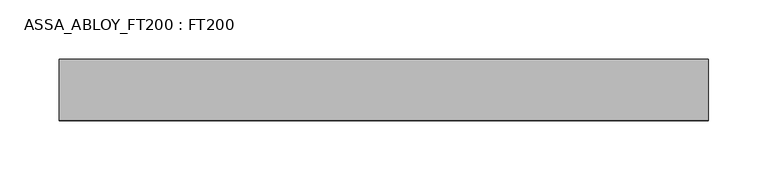
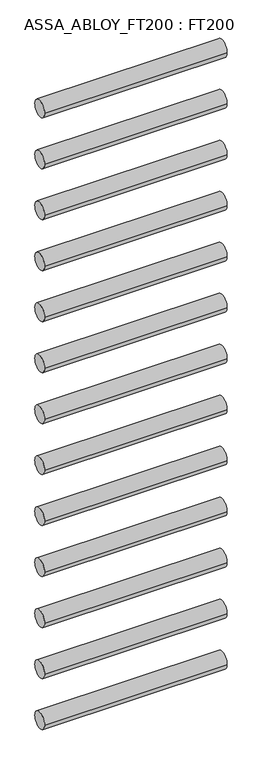
"""IFC4 building model written with IfcOpenShell, lengths in millimetres: proxy geometry, ASSA_ABLOY_FT200 : FT200."""

from ifc_helpers import new_model, si_unit, point, frame, frame_2d, origin, place, context, project, spatial, circle_curve, trimmed, segment, composite_curve, outline, extrude, source, transform, mapped, element, save


def assa_abloy_ft200_ft200_70e67938(model_context):
    return source(origin(), model_context, "Body", "SweptSolid", [
        extrude(outline(composite_curve([segment(trimmed(circle_curve(frame_2d((0.0, 143.0)), 25.5), [point((-25.5, 143.0))], [point((25.5, 143.0))], False, "CARTESIAN"), True, "CONTINUOUS"), segment(trimmed(circle_curve(frame_2d((0.0, 143.0)), 25.5), [point((25.5, 143.0))], [point((-25.5, 143.0))], False, "CARTESIAN"), True, "CONTINUOUS")], self_intersect=False)), frame((184.2, 0.0, 0.0), z_axis=(1.0, 0.0, 0.0), x_axis=(0.0, 1.0, 0.0)), (0.0, 0.0, 1.0), 545.8),
        extrude(outline(composite_curve([segment(trimmed(circle_curve(frame_2d((0.0, 304.0)), 25.5), [point((-25.5, 304.0))], [point((25.5, 304.0))], False, "CARTESIAN"), True, "CONTINUOUS"), segment(trimmed(circle_curve(frame_2d((0.0, 304.0)), 25.5), [point((25.5, 304.0))], [point((-25.5, 304.0))], False, "CARTESIAN"), True, "CONTINUOUS")], self_intersect=False)), frame((184.2, 0.0, 0.0), z_axis=(1.0, 0.0, 0.0), x_axis=(0.0, 1.0, 0.0)), (0.0, 0.0, 1.0), 545.8),
        extrude(outline(composite_curve([segment(trimmed(circle_curve(frame_2d((0.0, 465.0)), 25.5), [point((-25.5, 465.0))], [point((25.5, 465.0))], False, "CARTESIAN"), True, "CONTINUOUS"), segment(trimmed(circle_curve(frame_2d((0.0, 465.0)), 25.5), [point((25.5, 465.0))], [point((-25.5, 465.0))], False, "CARTESIAN"), True, "CONTINUOUS")], self_intersect=False)), frame((184.2, 0.0, 0.0), z_axis=(1.0, 0.0, 0.0), x_axis=(0.0, 1.0, 0.0)), (0.0, 0.0, 1.0), 545.8),
        extrude(outline(composite_curve([segment(trimmed(circle_curve(frame_2d((0.0, 626.0)), 25.5), [point((-25.5, 626.0))], [point((25.5, 626.0))], False, "CARTESIAN"), True, "CONTINUOUS"), segment(trimmed(circle_curve(frame_2d((0.0, 626.0)), 25.5), [point((25.5, 626.0))], [point((-25.5, 626.0))], False, "CARTESIAN"), True, "CONTINUOUS")], self_intersect=False)), frame((184.2, 0.0, 0.0), z_axis=(1.0, 0.0, 0.0), x_axis=(0.0, 1.0, 0.0)), (0.0, 0.0, 1.0), 545.8),
        extrude(outline(composite_curve([segment(trimmed(circle_curve(frame_2d((0.0, 787.0)), 25.5), [point((-25.5, 787.0))], [point((25.5, 787.0))], False, "CARTESIAN"), True, "CONTINUOUS"), segment(trimmed(circle_curve(frame_2d((0.0, 787.0)), 25.5), [point((25.5, 787.0))], [point((-25.5, 787.0))], False, "CARTESIAN"), True, "CONTINUOUS")], self_intersect=False)), frame((184.2, 0.0, 0.0), z_axis=(1.0, 0.0, 0.0), x_axis=(0.0, 1.0, 0.0)), (0.0, 0.0, 1.0), 545.8),
        extrude(outline(composite_curve([segment(trimmed(circle_curve(frame_2d((0.0, 948.0)), 25.5), [point((-25.5, 948.0))], [point((25.5, 948.0))], False, "CARTESIAN"), True, "CONTINUOUS"), segment(trimmed(circle_curve(frame_2d((0.0, 948.0)), 25.5), [point((25.5, 948.0))], [point((-25.5, 948.0))], False, "CARTESIAN"), True, "CONTINUOUS")], self_intersect=False)), frame((184.2, 0.0, 0.0), z_axis=(1.0, 0.0, 0.0), x_axis=(0.0, 1.0, 0.0)), (0.0, 0.0, 1.0), 545.8),
        extrude(outline(composite_curve([segment(trimmed(circle_curve(frame_2d((0.0, 1109.0)), 25.5), [point((-25.5, 1109.0))], [point((25.5, 1109.0))], False, "CARTESIAN"), True, "CONTINUOUS"), segment(trimmed(circle_curve(frame_2d((0.0, 1109.0)), 25.5), [point((25.5, 1109.0))], [point((-25.5, 1109.0))], False, "CARTESIAN"), True, "CONTINUOUS")], self_intersect=False)), frame((184.2, 0.0, 0.0), z_axis=(1.0, 0.0, 0.0), x_axis=(0.0, 1.0, 0.0)), (0.0, 0.0, 1.0), 545.8),
        extrude(outline(composite_curve([segment(trimmed(circle_curve(frame_2d((0.0, 1270.0)), 25.5), [point((-25.5, 1270.0))], [point((25.5, 1270.0))], False, "CARTESIAN"), True, "CONTINUOUS"), segment(trimmed(circle_curve(frame_2d((0.0, 1270.0)), 25.5), [point((25.5, 1270.0))], [point((-25.5, 1270.0))], False, "CARTESIAN"), True, "CONTINUOUS")], self_intersect=False)), frame((184.2, 0.0, 0.0), z_axis=(1.0, 0.0, 0.0), x_axis=(0.0, 1.0, 0.0)), (0.0, 0.0, 1.0), 545.8),
        extrude(outline(composite_curve([segment(trimmed(circle_curve(frame_2d((0.0, 1431.0)), 25.5), [point((-25.5, 1431.0))], [point((25.5, 1431.0))], False, "CARTESIAN"), True, "CONTINUOUS"), segment(trimmed(circle_curve(frame_2d((0.0, 1431.0)), 25.5), [point((25.5, 1431.0))], [point((-25.5, 1431.0))], False, "CARTESIAN"), True, "CONTINUOUS")], self_intersect=False)), frame((184.2, 0.0, 0.0), z_axis=(1.0, 0.0, 0.0), x_axis=(0.0, 1.0, 0.0)), (0.0, 0.0, 1.0), 545.8),
        extrude(outline(composite_curve([segment(trimmed(circle_curve(frame_2d((0.0, 1592.0)), 25.5), [point((-25.5, 1592.0))], [point((25.5, 1592.0))], False, "CARTESIAN"), True, "CONTINUOUS"), segment(trimmed(circle_curve(frame_2d((0.0, 1592.0)), 25.5), [point((25.5, 1592.0))], [point((-25.5, 1592.0))], False, "CARTESIAN"), True, "CONTINUOUS")], self_intersect=False)), frame((184.2, 0.0, 0.0), z_axis=(1.0, 0.0, 0.0), x_axis=(0.0, 1.0, 0.0)), (0.0, 0.0, 1.0), 545.8),
        extrude(outline(composite_curve([segment(trimmed(circle_curve(frame_2d((0.0, 1753.0)), 25.5), [point((-25.5, 1753.0))], [point((25.5, 1753.0))], False, "CARTESIAN"), True, "CONTINUOUS"), segment(trimmed(circle_curve(frame_2d((0.0, 1753.0)), 25.5), [point((25.5, 1753.0))], [point((-25.5, 1753.0))], False, "CARTESIAN"), True, "CONTINUOUS")], self_intersect=False)), frame((184.2, 0.0, 0.0), z_axis=(1.0, 0.0, 0.0), x_axis=(0.0, 1.0, 0.0)), (0.0, 0.0, 1.0), 545.8),
        extrude(outline(composite_curve([segment(trimmed(circle_curve(frame_2d((0.0, 1914.0)), 25.5), [point((-25.5, 1914.0))], [point((25.5, 1914.0))], False, "CARTESIAN"), True, "CONTINUOUS"), segment(trimmed(circle_curve(frame_2d((0.0, 1914.0)), 25.5), [point((25.5, 1914.0))], [point((-25.5, 1914.0))], False, "CARTESIAN"), True, "CONTINUOUS")], self_intersect=False)), frame((184.2, 0.0, 0.0), z_axis=(1.0, 0.0, 0.0), x_axis=(0.0, 1.0, 0.0)), (0.0, 0.0, 1.0), 545.8),
        extrude(outline(composite_curve([segment(trimmed(circle_curve(frame_2d((0.0, 2075.0)), 25.5), [point((-25.5, 2075.0))], [point((25.5, 2075.0))], False, "CARTESIAN"), True, "CONTINUOUS"), segment(trimmed(circle_curve(frame_2d((0.0, 2075.0)), 25.5), [point((25.5, 2075.0))], [point((-25.5, 2075.0))], False, "CARTESIAN"), True, "CONTINUOUS")], self_intersect=False)), frame((184.2, 0.0, 0.0), z_axis=(1.0, 0.0, 0.0), x_axis=(0.0, 1.0, 0.0)), (0.0, 0.0, 1.0), 545.8),
    ])


if __name__ == "__main__":
    model = new_model("IFC4")
    model_context = context("Model", 3, world=origin())
    ifc_project = project(units=[si_unit("LENGTHUNIT", "METRE", prefix="MILLI")], contexts=[model_context])
    site = spatial("IfcSite", under=ifc_project)
    building = spatial("IfcBuilding", under=site)
    placement = place(None, origin())
    assa_abloy_ft200_ft200_shape = assa_abloy_ft200_ft200_70e67938(model_context)
    element("IfcBuildingElementProxy", 1, Name="ASSA_ABLOY_FT200 : FT200", ObjectType="ASSA_ABLOY_FT200 : FT200", at=placement, inside=building, context=model_context, shape_type="MappedRepresentation", body=[
        mapped(assa_abloy_ft200_ft200_shape, transform((0.0, 0.0, 0.0), x_axis=(1.0, 0.0, 0.0), y_axis=(0.0, 1.0, 0.0), z_axis=(0.0, 0.0, 1.0))),
    ])
    save(model, "model.ifc")
